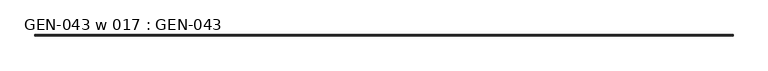
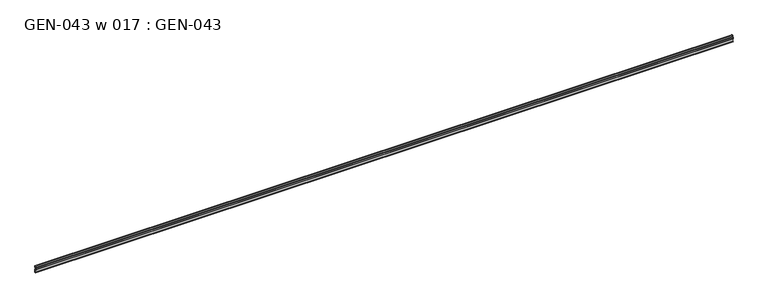
"""IFC4 building model written with IfcOpenShell, lengths in millimetres: proxy geometry, GEN-043 w 017 : GEN-043."""

from ifc_helpers import new_model, si_unit, point, frame, frame_2d, origin, place, context, project, spatial, polyline, circle_curve, trimmed, segment, composite_curve, outline, extrude, source, transform, mapped, element, save


def gen_043_w_017_gen_043_121190dc(model_context):
    return source(origin(), model_context, "Body", "SweptSolid", [
        extrude(outline(composite_curve([segment(polyline([(0.6518777, 0.0), (0.6518777, 3.175), (2.2393777, 3.175), (2.2393777, 1.5875), (7.0018777, 1.5875), (7.0018777, 23.8165844), (1.5875, 23.8165844)]), True, "CONTINUOUS"), segment(trimmed(circle_curve(frame_2d((1.5875, 25.4040844)), 1.5875), [point((1.5875, 23.8165844))], [point((0.0, 25.4040844))], False, "CARTESIAN"), True, "CONTINUOUS"), segment(polyline([(0.0, 25.4040844), (0.0, 36.5166704)]), True, "CONTINUOUS"), segment(trimmed(circle_curve(frame_2d((3.175, 36.5166704)), 3.175), [point((0.0, 36.5166704))], [point((3.175, 39.6916704))], False, "CARTESIAN"), True, "CONTINUOUS"), segment(polyline([(3.175, 39.6916704), (5.3948316, 39.6916704), (7.2036308, 50.2550574)]), True, "CONTINUOUS"), segment(trimmed(circle_curve(frame_2d((8.3323235, 49.0982159)), 1.6162393), [point((7.2036308, 50.2550574))], [point((9.525, 50.1889736))], False, "CARTESIAN"), True, "CONTINUOUS"), segment(polyline([(9.525, 50.1889736), (9.525, 41.2791704)]), True, "CONTINUOUS"), segment(trimmed(circle_curve(frame_2d((6.35, 41.2791704)), 3.175), [point((9.525, 41.2791704))], [point((6.35, 38.1041704))], False, "CARTESIAN"), True, "CONTINUOUS"), segment(polyline([(6.35, 38.1041704), (3.175, 38.1041704)]), True, "CONTINUOUS"), segment(trimmed(circle_curve(frame_2d((3.175, 36.5166704)), 1.5875), [point((3.175, 38.1041704))], [point((1.5875, 36.5166704))], True, "CARTESIAN"), True, "CONTINUOUS"), segment(polyline([(1.5875, 36.5166704), (1.5875, 33.2293816), (1.0783361, 32.6225838), (1.0783361, 30.7060817), (1.5875, 30.0543816), (1.5875, 26.1991044)]), True, "CONTINUOUS"), segment(trimmed(circle_curve(frame_2d((2.38252, 26.1991044)), 0.79502), [point((1.5875, 26.1991044))], [point((2.38252, 25.4040844))], True, "CARTESIAN"), True, "CONTINUOUS"), segment(polyline([(2.38252, 25.4040844), (8.5893777, 25.4040844), (8.5893777, 0.0), (0.6518777, 0.0)]), True, "CONTINUOUS")], self_intersect=False)), frame((0.0, 0.0, 0.0), z_axis=(1.0, 0.0, 0.0), x_axis=(0.0, 1.0, 0.0)), (0.0, 0.0, 1.0), 5283.2),
    ])


if __name__ == "__main__":
    model = new_model("IFC4")
    model_context = context("Model", 3, world=origin())
    ifc_project = project(units=[si_unit("LENGTHUNIT", "METRE", prefix="MILLI")], contexts=[model_context])
    site = spatial("IfcSite", under=ifc_project)
    building = spatial("IfcBuilding", under=site)
    placement = place(None, origin())
    gen_043_w_017_gen_043_shape = gen_043_w_017_gen_043_121190dc(model_context)
    element("IfcBuildingElementProxy", 1, Name="GEN-043 w 017 : GEN-043", ObjectType="GEN-043 w 017 : GEN-043", at=placement, inside=building, context=model_context, shape_type="MappedRepresentation", body=[
        mapped(gen_043_w_017_gen_043_shape, transform((0.0, 0.0, 0.0), x_axis=(1.0, 0.0, 0.0), y_axis=(0.0, 1.0, 0.0), z_axis=(0.0, 0.0, 1.0))),
    ])
    save(model, "model.ifc")
